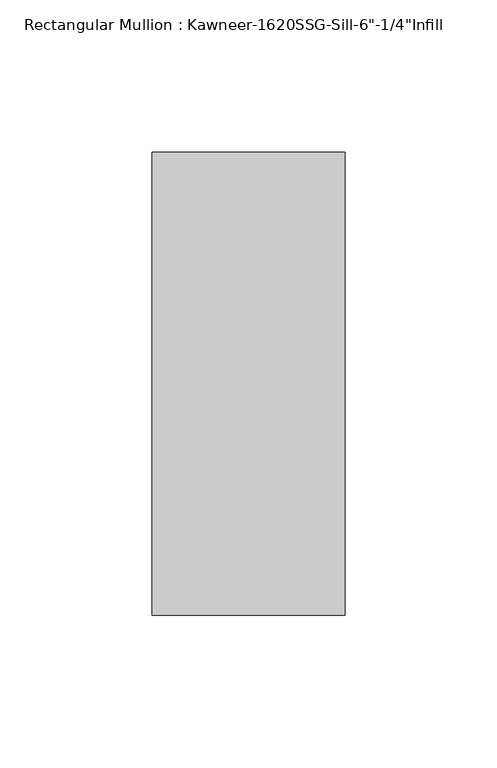
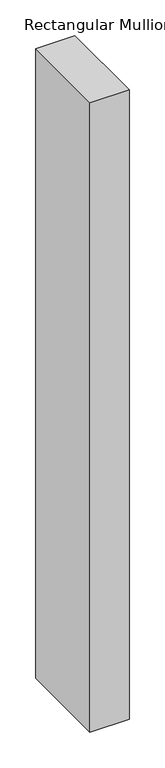
"""IFC4 building model written with IfcOpenShell, lengths in millimetres: member geometry."""

import ifcopenshell
import ifcopenshell.guid

model = None  # the IFC model being written
_history = None  # IfcOwnerHistory: only IFC2X3 demands one
_inside = {}  # id of a spatial element -> (the spatial element, [elements in it])
_under = {}  # id of a project, library or spatial element -> (it, [spatial elements below it])
_declared = {}  # id of a project -> (the project, [libraries it declares])
_typed = {}  # id of a type object -> (the type object, [elements of that type])
_made_of = {}  # id of a material, layer set ... -> (it, [elements and type objects made of it])


def new_model(schema):
    """Start an empty IFC model of exactly this schema.

    Asked for "IFC4X3", IfcOpenShell would pick the latest addendum, in which some entities
    have other attributes; the version numbers below select the first issue.
    IFC2X3 requires an IfcOwnerHistory on every rooted entity: one is made here for all.
    """
    global model, _history
    if schema == "IFC4X3":
        model = ifcopenshell.file(schema_version=(4, 3, 0, 0))
    else:
        model = ifcopenshell.file(schema=schema)
    _inside.clear()
    _under.clear()
    _declared.clear()
    _typed.clear()
    _made_of.clear()
    _history = None
    if model.schema == "IFC2X3":
        org = make("IfcOrganization", Name="unknown")
        user = make(
            "IfcPersonAndOrganization",
            ThePerson=make("IfcPerson", FamilyName="unknown"),
            TheOrganization=org,
        )
        app = make(
            "IfcApplication",
            ApplicationDeveloper=org,
            Version="unknown",
            ApplicationFullName="unknown",
            ApplicationIdentifier="unknown",
        )
        _history = make(
            "IfcOwnerHistory",
            OwningUser=user,
            OwningApplication=app,
            ChangeAction="ADDED",
            CreationDate=0,
        )
    return model


def make(cls, **values):
    """One entity of the class cls with the attributes given. An attribute that is None is left unset."""
    return model.create_entity(
        cls, **{name: value for name, value in values.items() if value is not None}
    )


def rooted(cls, **values):
    """An entity with a GlobalId (a new one), such as an element, a storey or a relation."""
    return make(cls, GlobalId=ifcopenshell.guid.new(), OwnerHistory=_history, **values)


def si_unit(unit_type, name, prefix=None):
    """IfcSIUnit, for example si_unit("LENGTHUNIT", "METRE", prefix="MILLI")."""
    return make("IfcSIUnit", UnitType=unit_type, Prefix=prefix, Name=name)


def assignment(units):
    """IfcUnitAssignment: the units of a project."""
    return None if units is None else make("IfcUnitAssignment", Units=units)


def point(xyz):
    """IfcCartesianPoint."""
    return None if xyz is None else make("IfcCartesianPoint", Coordinates=xyz)


def direction(xyz):
    """IfcDirection."""
    return None if xyz is None else make("IfcDirection", DirectionRatios=xyz)


def frame(location, z_axis=None, x_axis=None):
    """IfcAxis2Placement3D, a coordinate frame: its origin and axes. An axis left out is left unset."""
    return make(
        "IfcAxis2Placement3D",
        Location=point(location),
        Axis=direction(z_axis),
        RefDirection=direction(x_axis),
    )


def origin():
    """The frame at (0, 0, 0) with its axes left unset."""
    return frame((0.0, 0.0, 0.0))


def place(relative_to, where):
    """IfcLocalPlacement: puts the frame where relative to a parent placement (None: the world)."""
    return make(
        "IfcLocalPlacement", PlacementRelTo=relative_to, RelativePlacement=where
    )


def context(
    kind, dimensions, precision=None, world=None, true_north=None, identifier=None
):
    """IfcGeometricRepresentationContext, for example the 3D "Model" context."""
    return make(
        "IfcGeometricRepresentationContext",
        ContextIdentifier=identifier,
        ContextType=kind,
        CoordinateSpaceDimension=dimensions,
        Precision=precision,
        WorldCoordinateSystem=world,
        TrueNorth=true_north,
    )


def project(units=None, contexts=None):
    """IfcProject with its units and contexts."""
    return rooted(
        "IfcProject",
        Name="project",
        RepresentationContexts=contexts,
        UnitsInContext=assignment(units),
    )


def spatial(cls, under=None, at=None, **own):
    """A site, building, storey or space (cls), placed at a placement, below another one or the project."""
    s = rooted(cls, ObjectPlacement=at, **own)
    if under is not None:
        _under.setdefault(under.id(), (under, []))[1].append(s)
    return s


def polyline(points):
    """IfcPolyline through the points."""
    return make("IfcPolyline", Points=[point(p) for p in points])


def outline(outer, holes=None, kind="AREA"):
    """IfcArbitraryClosedProfileDef: a profile drawn as a closed curve; with holes, ...WithVoids."""
    if holes is None:
        return make("IfcArbitraryClosedProfileDef", ProfileType=kind, OuterCurve=outer)
    return make(
        "IfcArbitraryProfileDefWithVoids",
        ProfileType=kind,
        OuterCurve=outer,
        InnerCurves=holes,
    )


def extrude(swept, where, along, depth):
    """IfcExtrudedAreaSolid: the profile swept, set in the frame where, extruded along a direction by depth."""
    return make(
        "IfcExtrudedAreaSolid",
        SweptArea=swept,
        Position=where,
        ExtrudedDirection=direction(along),
        Depth=depth,
    )


def shape(context_of_items, identifier, shape_type, items):
    """IfcShapeRepresentation: the items that make up one representation, for example the "Body"."""
    return make(
        "IfcShapeRepresentation",
        ContextOfItems=context_of_items,
        RepresentationIdentifier=identifier,
        RepresentationType=shape_type,
        Items=items,
    )


def source(mapping_origin, context_of_items, identifier, shape_type, items):
    """IfcRepresentationMap: a shape defined once, which mapped items show again and again."""
    return make(
        "IfcRepresentationMap",
        MappingOrigin=mapping_origin,
        MappedRepresentation=shape(context_of_items, identifier, shape_type, items),
    )


def transform(
    local_origin,
    x_axis=None,
    y_axis=None,
    z_axis=None,
    scale=None,
    scale2=None,
    scale3=None,
    uniform=True,
):
    """IfcCartesianTransformationOperator3D, or its non-uniform kind. x_axis, y_axis, z_axis: its Axis1, 2, 3."""
    if uniform:
        return make(
            "IfcCartesianTransformationOperator3D",
            Axis1=direction(x_axis),
            Axis2=direction(y_axis),
            LocalOrigin=point(local_origin),
            Scale=scale,
            Axis3=direction(z_axis),
        )
    return make(
        "IfcCartesianTransformationOperator3DnonUniform",
        Axis1=direction(x_axis),
        Axis2=direction(y_axis),
        LocalOrigin=point(local_origin),
        Scale=scale,
        Axis3=direction(z_axis),
        Scale2=scale2,
        Scale3=scale3,
    )


def mapped(mapping_source, mapping_target):
    """IfcMappedItem: shows the shape of a source again, moved by a transform."""
    return make(
        "IfcMappedItem", MappingSource=mapping_source, MappingTarget=mapping_target
    )


def made_of(thing, what):
    """Note that an element or type object is made of a material, layer set ...; save() writes the relation."""
    if what is not None:
        _made_of.setdefault(what.id(), (what, []))[1].append(thing)
    return thing


def element(
    cls,
    number,
    at=None,
    inside=None,
    cuts=None,
    type_object=None,
    material=None,
    context=None,
    identifier="Body",
    shape_type=None,
    held_by="IfcProductDefinitionShape",
    body=None,
    shapes=None,
    **own,
):
    """One element of the class cls, such as IfcWall. Its Tag is "e" and its number.

    at: its placement. inside: the storey or other place that contains it. cuts: it is an
    opening in that element (IfcRelVoidsElement). A single representation is given by context,
    identifier, shape_type and body (its items); several are given by shapes. held_by: the class
    of the entity that holds the representations. save() writes the other relations.
    """
    e = rooted(cls, Tag="e%d" % number, ObjectPlacement=at, **own)
    if body is not None:
        shapes = [shape(context, identifier, shape_type, body)]
    if shapes is not None:
        e.Representation = make(held_by, Representations=shapes)
    if inside is not None:
        _inside.setdefault(inside.id(), (inside, []))[1].append(e)
    if cuts is not None:
        rooted(
            "IfcRelVoidsElement", RelatingBuildingElement=cuts, RelatedOpeningElement=e
        )
    if type_object is not None:
        _typed.setdefault(type_object.id(), (type_object, []))[1].append(e)
    return made_of(e, material)


def aggregate(whole, parts):
    """IfcRelAggregates: a whole, such as a stair, and the parts it consists of."""
    return rooted("IfcRelAggregates", RelatingObject=whole, RelatedObjects=parts)


def save(model, path):
    """Write the relations noted so far, then the file.

    IfcRelAggregates (storeys below a building ...), IfcRelContainedInSpatialStructure (elements
    in a storey), IfcRelDefinesByType, IfcRelAssociatesMaterial and IfcRelDeclares: one each for
    every whole, place, type object, material and project.
    """
    for whole, parts in _under.values():
        aggregate(whole, parts)
    for where, things in _inside.values():
        rooted(
            "IfcRelContainedInSpatialStructure",
            RelatedElements=things,
            RelatingStructure=where,
        )
    for kind, things in _typed.values():
        rooted("IfcRelDefinesByType", RelatedObjects=things, RelatingType=kind)
    for what, things in _made_of.values():
        rooted("IfcRelAssociatesMaterial", RelatedObjects=things, RelatingMaterial=what)
    for by, libraries in _declared.values():
        rooted("IfcRelDeclares", RelatingContext=by, RelatedDefinitions=libraries)
    model.write(path)


def member_1cf1275c(model_context):
    return source(origin(), model_context, "Body", "SweptSolid", [
        extrude(outline(polyline([(-63.5, 28.575), (0.0, 28.575), (0.0, -123.825), (-63.5, -123.825), (-63.5, 28.575)])), frame((0.0, 0.0, -1079.5), z_axis=(0.0, 0.0, 1.0), x_axis=(1.0, 0.0, 0.0)), (0.0, 0.0, 1.0), 1079.5),
    ])


if __name__ == "__main__":
    model = new_model("IFC4")
    model_context = context("Model", 3, world=origin())
    ifc_project = project(units=[si_unit("LENGTHUNIT", "METRE", prefix="MILLI")], contexts=[model_context])
    site = spatial("IfcSite", under=ifc_project)
    building = spatial("IfcBuilding", under=site)
    placement = place(None, origin())
    member_shape = member_1cf1275c(model_context)
    element("IfcMember", 1, ObjectType="Rectangular Mullion : Kawneer-1620SSG-Sill-6\"-1/4\"Infill", at=placement, inside=building, context=model_context, shape_type="MappedRepresentation", body=[
        mapped(member_shape, transform((0.0, 0.0, 0.0), x_axis=(1.0, 0.0, 0.0), y_axis=(0.0, 1.0, 0.0), z_axis=(0.0, 0.0, 1.0))),
    ])
    save(model, "model.ifc")
